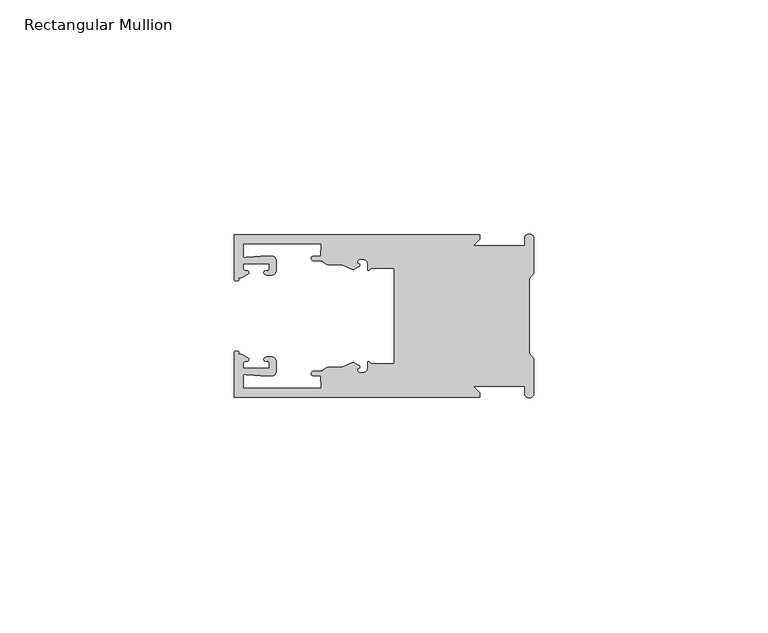
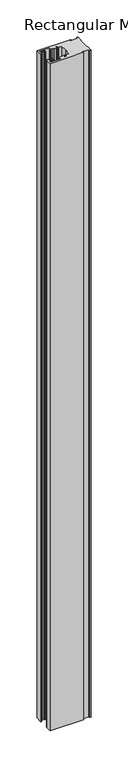
"""IFC4 building model written with IfcOpenShell, lengths in millimetres: member geometry, Rectangular Mullion."""

from ifc_helpers import new_model, si_unit, frame, origin, place, context, project, spatial, polyline, circle_curve, source, transform, mapped, element, save
from ifc_brep_helpers import plane_surface, cylinder_surface, revolved_surface, extruded_surface, spline_curve, advanced_brep


def rectangular_mullion_5d5f20c7(model_context):
    return source(origin(), model_context, "Body", "AdvancedBrep", [
        advanced_brep(
        [(-11.5387897, 17.4000478, 0.0), (-64.0387868, 17.4000478, 0.0), (-64.0387868, 7.8350057, 0.0), (-63.2884687, 7.5412947, 0.0), (-62.4614154, 8.1921895, 0.0), (-62.0410649, 9.9426451, 0.0), (-62.0424168, 11.1926444, 0.0), (-56.54242, 11.1985924, 0.0), (-56.5410682, 9.9485931, 0.0), (-57.1085345, 8.7314723, 0.0), (-56.0397166, 8.6991345, 0.0), (-55.0407987, 9.7002154, 0.0), (-55.0430697, 11.8002142, 0.0), (-56.0446364, 12.7991315, 0.0), (-58.3650753, 12.7954945, 0.0), (-61.1340054, 12.5502269, 0.0), (-62.044093, 12.7426435, 0.0), (-62.0469668, 15.4000478, 0.0), (-45.4240312, 15.4000478, 0.0), (-45.5732135, 12.8000478, 0.0), (-47.0387868, 12.8000478, 0.0), (-47.0387868, 11.8000478, 0.0), (-45.2543363, 11.8000478, 0.0), (-43.6387868, 10.9000478, 0.0), (-41.0454034, 10.9000478, 0.0), (-38.5697136, 9.8718293, 0.0), (-37.5387868, 10.4670351, 0.0), (-37.6803436, 11.4201497, 0.0), (-37.0270763, 12.1583697, 0.0), (-36.2010815, 12.0127245, 0.0), (-35.54, 11.2248783, 0.0), (-35.54, 10.0, 0.0), (-34.7705791, 10.25, 0.0), (-29.79, 10.25, 0.0), (-29.79, 0.0, 0.0), (-29.79, -10.25, 0.0), (-34.7705791, -10.25, 0.0), (-35.54, -10.0, 0.0), (-35.54, -11.2248783, 0.0), (-36.2010815, -12.0127245, 0.0), (-37.0270763, -12.1583697, 0.0), (-37.6803436, -11.4201497, 0.0), (-37.5387868, -10.4670351, 0.0), (-38.5697136, -9.8718293, 0.0), (-41.0454034, -10.9000478, 0.0), (-43.6387868, -10.9000478, 0.0), (-45.2543363, -11.8000478, 0.0), (-47.0387868, -11.8000478, 0.0), (-47.0387868, -12.8000478, 0.0), (-45.5732135, -12.8000478, 0.0), (-45.4240312, -15.4000478, 0.0), (-62.0469668, -15.4000478, 0.0), (-62.044093, -12.7426435, 0.0), (-61.1340054, -12.5502269, 0.0), (-58.3650753, -12.7954945, 0.0), (-56.0446364, -12.7991314, 0.0), (-55.0430697, -11.8002142, 0.0), (-55.0407987, -9.7002154, 0.0), (-56.0397166, -8.6991345, 0.0), (-57.1085345, -8.7314723, 0.0), (-56.5410682, -9.9485931, 0.0), (-56.54242, -11.1985924, 0.0), (-62.0424168, -11.1926444, 0.0), (-62.0410649, -9.9426451, 0.0), (-62.4614154, -8.1921895, 0.0), (-63.2884687, -7.5412947, 0.0), (-64.0387868, -7.8350057, 0.0), (-64.0387868, -17.4000478, 0.0), (-11.5387897, -17.4000478, 0.0), (-11.5387897, -16.4000449, 0.0), (-12.9388346, -15.0, 0.0), (-2.0, -15.0, 0.0), (-2.0, -16.5, 0.0), (0.0, -16.5, 0.0), (0.0, -9.1160254, 0.0), (-1.0, -7.9613249, 0.0), (-1.0, 0.0, 0.0), (-1.0, 7.9613249, 0.0), (0.0, 9.1160254, 0.0), (0.0, 16.5, 0.0), (-2.0, 16.5, 0.0), (-2.0, 15.0, 0.0), (-12.9388346, 15.0, 0.0), (-11.5387897, 16.4000449, 0.0), (-11.5387897, 17.4000478, -1096.68), (-11.5387897, 16.4000449, -1096.68), (-12.9388346, 15.0, -1096.68), (-2.0, 15.0, -1096.68), (-2.0, 16.5, -1096.68), (0.0, 16.5, -1096.68), (0.0, 9.1160254, -1096.68), (-1.0, 7.9613249, -1096.68), (-1.0, 0.0, -1096.68), (-1.0, -7.9613249, -1096.68), (0.0, -9.1160254, -1096.68), (0.0, -16.5, -1096.68), (-2.0, -16.5, -1096.68), (-2.0, -15.0, -1096.68), (-12.9388346, -15.0, -1096.68), (-11.5387897, -16.4000449, -1096.68), (-11.5387897, -17.4000478, -1096.68), (-64.0387868, -17.4000478, -1096.68), (-64.0387868, -7.8350057, -1096.68), (-63.2884687, -7.5412947, -1096.68), (-62.4614154, -8.1921895, -1096.68), (-62.0410649, -9.9426451, -1096.68), (-62.0424168, -11.1926444, -1096.68), (-56.54242, -11.1985924, -1096.68), (-56.5410682, -9.9485931, -1096.68), (-57.1085345, -8.7314723, -1096.68), (-56.0397166, -8.6991345, -1096.68), (-55.0407987, -9.7002154, -1096.68), (-55.0430697, -11.8002142, -1096.68), (-56.0446364, -12.7991315, -1096.68), (-58.3650753, -12.7954945, -1096.68), (-61.1340054, -12.5502269, -1096.68), (-62.044093, -12.7426435, -1096.68), (-62.0469668, -15.4000478, -1096.68), (-45.4240312, -15.4000478, -1096.68), (-45.5732135, -12.8000478, -1096.68), (-47.0387868, -12.8000478, -1096.68), (-47.0387868, -11.8000478, -1096.68), (-45.2543363, -11.8000478, -1096.68), (-43.6387868, -10.9000478, -1096.68), (-41.0454034, -10.9000478, -1096.68), (-38.5697136, -9.8718293, -1096.68), (-37.5387868, -10.4670351, -1096.68), (-37.6803436, -11.4201497, -1096.68), (-37.0270763, -12.1583697, -1096.68), (-36.2010815, -12.0127245, -1096.68), (-35.54, -11.2248783, -1096.68), (-35.54, -10.0, -1096.68), (-34.7705791, -10.25, -1096.68), (-29.79, -10.25, -1096.68), (-29.79, 0.0, -1096.68), (-29.79, 10.25, -1096.68), (-34.7705791, 10.25, -1096.68), (-35.54, 10.0, -1096.68), (-35.54, 11.2248783, -1096.68), (-36.2010815, 12.0127245, -1096.68), (-37.0270763, 12.1583697, -1096.68), (-37.6803436, 11.4201497, -1096.68), (-37.5387868, 10.4670351, -1096.68), (-38.5697136, 9.8718293, -1096.68), (-41.0454034, 10.9000478, -1096.68), (-43.6387868, 10.9000478, -1096.68), (-45.2543363, 11.8000478, -1096.68), (-47.0387868, 11.8000478, -1096.68), (-47.0387868, 12.8000478, -1096.68), (-45.5732135, 12.8000478, -1096.68), (-45.4240312, 15.4000478, -1096.68), (-62.0469668, 15.4000478, -1096.68), (-62.044093, 12.7426435, -1096.68), (-61.1340054, 12.5502269, -1096.68), (-58.3650753, 12.7954945, -1096.68), (-56.0446364, 12.7991314, -1096.68), (-55.0430697, 11.8002142, -1096.68), (-55.0407987, 9.7002154, -1096.68), (-56.0397166, 8.6991345, -1096.68), (-57.1085345, 8.7314723, -1096.68), (-56.5410682, 9.9485931, -1096.68), (-56.54242, 11.1985924, -1096.68), (-62.0424168, 11.1926444, -1096.68), (-62.0410649, 9.9426451, -1096.68), (-62.4614154, 8.1921895, -1096.68), (-63.2884687, 7.5412947, -1096.68), (-64.0387868, 7.8350057, -1096.68), (-64.0387868, 17.4000478, -1096.68)],
        [
            (0, 1),
            (1, 2),
            (2, 3, spline_curve(3, [(-64.0387868, 7.8350057, 0.0), (-64.038491377, 7.561831774, 0.0), (-63.788385325, 7.463928087, 0.0), (-63.2884687, 7.5412947, 0.0)], [4, 4], [0.0, 0.0019169337574178654])),
            (3, 4, spline_curve(3, [(-63.2884687, 7.5412947, 0.0), (-63.057760917, 7.582232011, 0.0), (-63.018445067, 7.725390894, 0.0), (-63.019925494, 8.056436881, 0.0), (-63.103444208, 8.236386866, 0.0), (-62.4614154, 8.1921895, 0.0)], [4, 2, 4], [0.0, 0.0010199524164107188, 0.0024874514725970356])),
            (4, 5, spline_curve(3, [(-62.4614154, 8.1921895, 0.0), (-60.988497673, 8.880962536, 0.0), (-60.794045122, 9.192776957, 0.0), (-60.949808078, 9.57023562, 0.0), (-61.145214014, 9.682771697, 0.0), (-61.665835706, 9.714019003, 0.0), (-61.965242574, 9.660891484, 0.0), (-62.0410649, 9.9426451, 0.0)], [4, 2, 2, 4], [0.0, 0.003269869179570428, 0.005490050486237203, 0.0073545767114364426])),
            (5, 6),
            (6, 7),
            (7, 8),
            (8, 9, spline_curve(3, [(-56.5410682, 9.9485931, 0.0), (-56.634838635, 9.597117104, 0.0), (-56.904956774, 9.698238818, 0.0), (-57.324171444, 9.731086209, 0.0), (-57.45969165, 9.646199885, 0.0), (-57.729003352, 9.346016011, 0.0), (-57.859492582, 9.113082158, 0.0), (-57.1085345, 8.7314723, 0.0)], [4, 2, 2, 4], [0.0, 0.001593963049934732, 0.0033360256320283306, 0.005339140673503943])),
            (9, 10),
            (10, 11, circle_curve(frame((-56.0407981, 9.699134, 0.0), z_axis=(0.0, 0.0, 1.0), x_axis=(0.0010814451158627505, -0.9999994152380598, 0.0)), 1.0)),
            (11, 12),
            (12, 13, circle_curve(frame((-56.0430691, 11.7991327, 0.0), z_axis=(0.0, 0.0, 1.0), x_axis=(0.0010814451158627505, -0.9999994152380598, 0.0)), 1.0)),
            (13, 14),
            (14, 15),
            (15, 16, spline_curve(3, [(-61.1340054, 12.5502269, 0.0), (-61.605485428, 12.508463911, 0.0), (-61.992111419, 12.303164326, 0.0), (-62.044093, 12.7426435, 0.0)], [4, 4], [0.0, 0.0014803385355886016])),
            (16, 17),
            (17, 18),
            (18, 19),
            (19, 20),
            (20, 21, circle_curve(frame((-47.0387868, 12.3000478, 0.0), z_axis=(0.0, 0.0, 1.0), x_axis=(0.0, -1.0, 0.0)), 0.5)),
            (21, 22),
            (22, 23, circle_curve(frame((-43.6387868, 12.8000478, 0.0), z_axis=(0.0, 0.0, 1.0), x_axis=(0.0, -1.0, 0.0)), 1.9)),
            (23, 24),
            (24, 25),
            (25, 26),
            (26, 27, spline_curve(3, [(-37.5387868, 10.4670351, 0.0), (-36.973919853, 10.833863985, 0.0), (-37.198159645, 11.135696286, 0.0), (-37.587892011, 11.260246073, 0.0), (-37.754584192, 11.180452419, 0.0), (-37.6803436, 11.4201497, 0.0)], [4, 2, 4], [0.0, 0.0019283703160353726, 0.003394584635652914])),
            (27, 28, circle_curve(frame((-37.0434863, 11.5147359, 0.0), z_axis=(0.0, 0.0, -1.0), x_axis=(0.0, -1.0, 0.0)), 0.643843)),
            (28, 29),
            (29, 30, circle_curve(frame((-36.34, 11.2248783, 0.0), z_axis=(0.0, 0.0, -1.0), x_axis=(0.0, -1.0, 0.0)), 0.8)),
            (30, 31),
            (31, 32, spline_curve(3, [(-35.54, 10.0, 0.0), (-35.440000238, 9.598293201, 0.0), (-35.183526594, 9.681626535, 0.0), (-34.7705791, 10.25, 0.0)], [4, 4], [0.0, 0.0027473296990141553])),
            (32, 33),
            (33, 34),
            (34, 35),
            (35, 36),
            (36, 37, spline_curve(3, [(-34.7705791, -10.25, 0.0), (-35.183526594, -9.681626535, 0.0), (-35.440000238, -9.598293201, 0.0), (-35.54, -10.0, 0.0)], [4, 4], [0.0, 0.0027473296990141553])),
            (37, 38),
            (38, 39, circle_curve(frame((-36.34, -11.2248783, 0.0), z_axis=(0.0, 0.0, -1.0), x_axis=(0.0, 1.0, 0.0)), 0.8)),
            (39, 40),
            (40, 41, circle_curve(frame((-37.0434863, -11.5147359, 0.0), z_axis=(0.0, 0.0, -1.0), x_axis=(0.0, 1.0, 0.0)), 0.643843)),
            (41, 42, spline_curve(3, [(-37.6803436, -11.4201497, 0.0), (-37.754584192, -11.180452419, 0.0), (-37.587892011, -11.260246073, 0.0), (-37.198159645, -11.135696286, 0.0), (-36.973919853, -10.833863985, 0.0), (-37.5387868, -10.4670351, 0.0)], [4, 2, 4], [0.0, 0.0014662143196175414, 0.003394584635652914])),
            (42, 43),
            (43, 44),
            (44, 45),
            (45, 46, circle_curve(frame((-43.6387868, -12.8000478, 0.0), z_axis=(0.0, 0.0, 1.0), x_axis=(0.0, 1.0, 0.0)), 1.9)),
            (46, 47),
            (47, 48, circle_curve(frame((-47.0387868, -12.3000478, 0.0), z_axis=(0.0, 0.0, 1.0), x_axis=(0.0, 1.0, 0.0)), 0.5)),
            (48, 49),
            (49, 50),
            (50, 51),
            (51, 52),
            (52, 53, spline_curve(3, [(-62.044093, -12.7426435, 0.0), (-61.992111419, -12.303164326, 0.0), (-61.605485428, -12.508463911, 0.0), (-61.1340054, -12.5502269, 0.0)], [4, 4], [0.0, 0.0014803385355886016])),
            (53, 54),
            (54, 55),
            (55, 56, circle_curve(frame((-56.0430691, -11.7991327, 0.0), z_axis=(0.0, 0.0, 1.0), x_axis=(0.001081445115855867, 0.9999994152380598, 0.0)), 1.0)),
            (56, 57),
            (57, 58, circle_curve(frame((-56.0407981, -9.699134, 0.0), z_axis=(0.0, 0.0, 1.0), x_axis=(0.001081445115855867, 0.9999994152380598, 0.0)), 1.0)),
            (58, 59),
            (59, 60, spline_curve(3, [(-57.1085345, -8.7314723, 0.0), (-57.859492582, -9.113082158, 0.0), (-57.729003352, -9.346016011, 0.0), (-57.45969165, -9.646199885, 0.0), (-57.324171444, -9.731086209, 0.0), (-56.904956774, -9.698238818, 0.0), (-56.634838635, -9.597117104, 0.0), (-56.5410682, -9.9485931, 0.0)], [4, 2, 2, 4], [0.0, 0.002003115041475612, 0.0037451776235692107, 0.005339140673503943])),
            (60, 61),
            (61, 62),
            (62, 63),
            (63, 64, spline_curve(3, [(-62.0410649, -9.9426451, 0.0), (-61.965242574, -9.660891484, 0.0), (-61.665835706, -9.714019003, 0.0), (-61.145214014, -9.682771697, 0.0), (-60.949808078, -9.57023562, 0.0), (-60.794045122, -9.192776957, 0.0), (-60.988497673, -8.880962536, 0.0), (-62.4614154, -8.1921895, 0.0)], [4, 2, 2, 4], [0.0, 0.0018645262251992395, 0.004084707531866015, 0.0073545767114364426])),
            (64, 65, spline_curve(3, [(-62.4614154, -8.1921895, 0.0), (-63.103444208, -8.236386866, 0.0), (-63.019925494, -8.056436881, 0.0), (-63.018445067, -7.725390894, 0.0), (-63.057760917, -7.582232011, 0.0), (-63.2884687, -7.5412947, 0.0)], [4, 2, 4], [0.0, 0.0014674990561863168, 0.0024874514725970356])),
            (65, 66, spline_curve(3, [(-63.2884687, -7.5412947, 0.0), (-63.788385325, -7.463928087, 0.0), (-64.038491377, -7.561831774, 0.0), (-64.0387868, -7.8350057, 0.0)], [4, 4], [0.0, 0.0019169337574178654])),
            (66, 67),
            (67, 68),
            (68, 69),
            (69, 70),
            (70, 71),
            (71, 72),
            (72, 73, circle_curve(frame((-1.0, -16.5, 0.0), z_axis=(0.0, 0.0, 1.0), x_axis=(0.0, 1.0, 0.0)), 1.0)),
            (73, 74),
            (74, 75),
            (75, 76),
            (76, 77),
            (77, 78),
            (78, 79),
            (79, 80, circle_curve(frame((-1.0, 16.5, 0.0), z_axis=(0.0, 0.0, 1.0), x_axis=(0.0, -1.0, 0.0)), 1.0)),
            (80, 81),
            (81, 82),
            (82, 83),
            (83, 0),
            (84, 85),
            (85, 86),
            (86, 87),
            (87, 88),
            (88, 89, circle_curve(frame((-1.0, 16.5, -1096.68), z_axis=(0.0, 0.0, -1.0), x_axis=(0.0, -1.0, 0.0)), 1.0)),
            (89, 90),
            (90, 91),
            (91, 92),
            (92, 93),
            (93, 94),
            (94, 95),
            (95, 96, circle_curve(frame((-1.0, -16.5, -1096.68), z_axis=(0.0, 0.0, -1.0), x_axis=(0.0, 1.0, 0.0)), 1.0)),
            (96, 97),
            (97, 98),
            (98, 99),
            (99, 100),
            (100, 101),
            (101, 102),
            (102, 103, spline_curve(3, [(-64.0387868, -7.8350057, -1096.68), (-64.038491377, -7.561831774, -1096.68), (-63.788385325, -7.463928087, -1096.68), (-63.2884687, -7.5412947, -1096.68)], [4, 4], [0.0, 0.0019169337574178654])),
            (103, 104, spline_curve(3, [(-63.2884687, -7.5412947, -1096.68), (-63.057760917, -7.582232011, -1096.68), (-63.018445067, -7.725390894, -1096.68), (-63.019925494, -8.056436881, -1096.68), (-63.103444208, -8.236386866, -1096.68), (-62.4614154, -8.1921895, -1096.68)], [4, 2, 4], [0.0, 0.0010199524164107188, 0.0024874514725970356])),
            (104, 105, spline_curve(3, [(-62.4614154, -8.1921895, -1096.68), (-60.988497673, -8.880962536, -1096.68), (-60.794045122, -9.192776957, -1096.68), (-60.949808078, -9.57023562, -1096.68), (-61.145214014, -9.682771697, -1096.68), (-61.665835706, -9.714019003, -1096.68), (-61.965242574, -9.660891484, -1096.68), (-62.0410649, -9.9426451, -1096.68)], [4, 2, 2, 4], [0.0, 0.003269869179570428, 0.005490050486237203, 0.0073545767114364426])),
            (105, 106),
            (106, 107),
            (107, 108),
            (108, 109, spline_curve(3, [(-56.5410682, -9.9485931, -1096.68), (-56.634838635, -9.597117104, -1096.68), (-56.904956774, -9.698238818, -1096.68), (-57.324171444, -9.731086209, -1096.68), (-57.45969165, -9.646199885, -1096.68), (-57.729003352, -9.346016011, -1096.68), (-57.859492582, -9.113082158, -1096.68), (-57.1085345, -8.7314723, -1096.68)], [4, 2, 2, 4], [0.0, 0.001593963049934732, 0.0033360256320283306, 0.005339140673503943])),
            (109, 110),
            (110, 111, circle_curve(frame((-56.0407981, -9.699134, -1096.68), z_axis=(0.0, 0.0, -1.0), x_axis=(0.001081445115855867, 0.9999994152380598, 0.0)), 1.0)),
            (111, 112),
            (112, 113, circle_curve(frame((-56.0430691, -11.7991327, -1096.68), z_axis=(0.0, 0.0, -1.0), x_axis=(0.001081445115855867, 0.9999994152380598, 0.0)), 1.0)),
            (113, 114),
            (114, 115),
            (115, 116, spline_curve(3, [(-61.1340054, -12.5502269, -1096.68), (-61.605485428, -12.508463911, -1096.68), (-61.992111419, -12.303164326, -1096.68), (-62.044093, -12.7426435, -1096.68)], [4, 4], [0.0, 0.0014803385355886016])),
            (116, 117),
            (117, 118),
            (118, 119),
            (119, 120),
            (120, 121, circle_curve(frame((-47.0387868, -12.3000478, -1096.68), z_axis=(0.0, 0.0, -1.0), x_axis=(0.0, 1.0, 0.0)), 0.5)),
            (121, 122),
            (122, 123, circle_curve(frame((-43.6387868, -12.8000478, -1096.68), z_axis=(0.0, 0.0, -1.0), x_axis=(0.0, 1.0, 0.0)), 1.9)),
            (123, 124),
            (124, 125),
            (125, 126),
            (126, 127, spline_curve(3, [(-37.5387868, -10.4670351, -1096.68), (-36.973919853, -10.833863985, -1096.68), (-37.198159645, -11.135696286, -1096.68), (-37.587892011, -11.260246073, -1096.68), (-37.754584192, -11.180452419, -1096.68), (-37.6803436, -11.4201497, -1096.68)], [4, 2, 4], [0.0, 0.0019283703160353726, 0.003394584635652914])),
            (127, 128, circle_curve(frame((-37.0434863, -11.5147359, -1096.68), z_axis=(0.0, 0.0, 1.0), x_axis=(0.0, 1.0, 0.0)), 0.643843)),
            (128, 129),
            (129, 130, circle_curve(frame((-36.34, -11.2248783, -1096.68), z_axis=(0.0, 0.0, 1.0), x_axis=(0.0, 1.0, 0.0)), 0.8)),
            (130, 131),
            (131, 132, spline_curve(3, [(-35.54, -10.0, -1096.68), (-35.440000238, -9.598293201, -1096.68), (-35.183526594, -9.681626535, -1096.68), (-34.7705791, -10.25, -1096.68)], [4, 4], [0.0, 0.0027473296990141553])),
            (132, 133),
            (133, 134),
            (134, 135),
            (135, 136),
            (136, 137, spline_curve(3, [(-34.7705791, 10.25, -1096.68), (-35.183526594, 9.681626535, -1096.68), (-35.440000238, 9.598293201, -1096.68), (-35.54, 10.0, -1096.68)], [4, 4], [0.0, 0.0027473296990141553])),
            (137, 138),
            (138, 139, circle_curve(frame((-36.34, 11.2248783, -1096.68), z_axis=(0.0, 0.0, 1.0), x_axis=(0.0, -1.0, 0.0)), 0.8)),
            (139, 140),
            (140, 141, circle_curve(frame((-37.0434863, 11.5147359, -1096.68), z_axis=(0.0, 0.0, 1.0), x_axis=(0.0, -1.0, 0.0)), 0.643843)),
            (141, 142, spline_curve(3, [(-37.6803436, 11.4201497, -1096.68), (-37.754584192, 11.180452419, -1096.68), (-37.587892011, 11.260246073, -1096.68), (-37.198159645, 11.135696286, -1096.68), (-36.973919853, 10.833863985, -1096.68), (-37.5387868, 10.4670351, -1096.68)], [4, 2, 4], [0.0, 0.0014662143196175414, 0.003394584635652914])),
            (142, 143),
            (143, 144),
            (144, 145),
            (145, 146, circle_curve(frame((-43.6387868, 12.8000478, -1096.68), z_axis=(0.0, 0.0, -1.0), x_axis=(0.0, -1.0, 0.0)), 1.9)),
            (146, 147),
            (147, 148, circle_curve(frame((-47.0387868, 12.3000478, -1096.68), z_axis=(0.0, 0.0, -1.0), x_axis=(0.0, -1.0, 0.0)), 0.5)),
            (148, 149),
            (149, 150),
            (150, 151),
            (151, 152),
            (152, 153, spline_curve(3, [(-62.044093, 12.7426435, -1096.68), (-61.992111419, 12.303164326, -1096.68), (-61.605485428, 12.508463911, -1096.68), (-61.1340054, 12.5502269, -1096.68)], [4, 4], [0.0, 0.0014803385355886016])),
            (153, 154),
            (154, 155),
            (155, 156, circle_curve(frame((-56.0430691, 11.7991327, -1096.68), z_axis=(0.0, 0.0, -1.0), x_axis=(0.0010814451158627505, -0.9999994152380598, 0.0)), 1.0)),
            (156, 157),
            (157, 158, circle_curve(frame((-56.0407981, 9.699134, -1096.68), z_axis=(0.0, 0.0, -1.0), x_axis=(0.0010814451158627505, -0.9999994152380598, 0.0)), 1.0)),
            (158, 159),
            (159, 160, spline_curve(3, [(-57.1085345, 8.7314723, -1096.68), (-57.859492582, 9.113082158, -1096.68), (-57.729003352, 9.346016011, -1096.68), (-57.45969165, 9.646199885, -1096.68), (-57.324171444, 9.731086209, -1096.68), (-56.904956774, 9.698238818, -1096.68), (-56.634838635, 9.597117104, -1096.68), (-56.5410682, 9.9485931, -1096.68)], [4, 2, 2, 4], [0.0, 0.002003115041475612, 0.0037451776235692107, 0.005339140673503943])),
            (160, 161),
            (161, 162),
            (162, 163),
            (163, 164, spline_curve(3, [(-62.0410649, 9.9426451, -1096.68), (-61.965242574, 9.660891484, -1096.68), (-61.665835706, 9.714019003, -1096.68), (-61.145214014, 9.682771697, -1096.68), (-60.949808078, 9.57023562, -1096.68), (-60.794045122, 9.192776957, -1096.68), (-60.988497673, 8.880962536, -1096.68), (-62.4614154, 8.1921895, -1096.68)], [4, 2, 2, 4], [0.0, 0.0018645262251992395, 0.004084707531866015, 0.0073545767114364426])),
            (164, 165, spline_curve(3, [(-62.4614154, 8.1921895, -1096.68), (-63.103444208, 8.236386866, -1096.68), (-63.019925494, 8.056436881, -1096.68), (-63.018445067, 7.725390894, -1096.68), (-63.057760917, 7.582232011, -1096.68), (-63.2884687, 7.5412947, -1096.68)], [4, 2, 4], [0.0, 0.0014674990561863168, 0.0024874514725970356])),
            (165, 166, spline_curve(3, [(-63.2884687, 7.5412947, -1096.68), (-63.788385325, 7.463928087, -1096.68), (-64.038491377, 7.561831774, -1096.68), (-64.0387868, 7.8350057, -1096.68)], [4, 4], [0.0, 0.0019169337574178654])),
            (166, 167),
            (167, 84),
            (0, 84),
            (167, 1),
            (166, 2),
            (165, 3),
            (164, 4),
            (163, 5),
            (162, 6),
            (161, 7),
            (160, 8),
            (159, 9),
            (158, 10),
            (157, 11),
            (156, 12),
            (155, 13),
            (154, 14),
            (153, 15),
            (152, 16),
            (151, 17),
            (150, 18),
            (149, 19),
            (148, 20),
            (147, 21),
            (146, 22),
            (145, 23),
            (144, 24),
            (143, 25),
            (142, 26),
            (141, 27),
            (140, 28),
            (139, 29),
            (138, 30),
            (137, 31),
            (136, 32),
            (135, 33),
            (134, 34),
            (133, 35),
            (132, 36),
            (131, 37),
            (130, 38),
            (129, 39),
            (128, 40),
            (127, 41),
            (126, 42),
            (125, 43),
            (124, 44),
            (123, 45),
            (122, 46),
            (121, 47),
            (120, 48),
            (119, 49),
            (118, 50),
            (117, 51),
            (116, 52),
            (115, 53),
            (114, 54),
            (113, 55),
            (112, 56),
            (111, 57),
            (110, 58),
            (109, 59),
            (108, 60),
            (107, 61),
            (106, 62),
            (105, 63),
            (104, 64),
            (103, 65),
            (102, 66),
            (101, 67),
            (100, 68),
            (99, 69),
            (98, 70),
            (97, 71),
            (96, 72),
            (95, 73),
            (94, 74),
            (93, 75),
            (92, 76),
            (91, 77),
            (90, 78),
            (89, 79),
            (88, 80),
            (87, 81),
            (86, 82),
            (85, 83),
        ],
        [
            plane_surface(frame((0.0, -66.3605898, 0.0), z_axis=(0.0, 0.0, 1.0), x_axis=(-1.0, 0.0, 0.0))),
            plane_surface(frame((0.0, -66.3605898, -1096.68), z_axis=(0.0, 0.0, -1.0), x_axis=(-1.0, 0.0, 0.0))),
            plane_surface(frame((-11.5387897, 17.4000478, 0.0), z_axis=(0.0, 1.0, 0.0), x_axis=(0.0, 0.0, -1.0))),
            plane_surface(frame((-64.0387868, 17.4000478, 0.0), z_axis=(-1.0, 0.0, 0.0), x_axis=(0.0, 0.0, -1.0))),
            extruded_surface(spline_curve(3, [(-64.0387868, 7.8350057, -1096.68), (-64.038491377, 7.561831774, -1096.68), (-63.788385325, 7.463928087, -1096.68), (-63.2884687, 7.5412947, -1096.68)], [4, 4], [0.0, 0.0019169337574178654]), (0.0, 0.0, 1096.68), 1096.68),
            extruded_surface(spline_curve(3, [(-63.2884687, 7.5412947, -1096.68), (-63.057760917, 7.582232011, -1096.68), (-63.018445067, 7.725390894, -1096.68), (-63.019925494, 8.056436881, -1096.68), (-63.103444208, 8.236386866, -1096.68), (-62.4614154, 8.1921895, -1096.68)], [4, 2, 4], [0.0, 0.0010199524164107188, 0.0024874514725970356]), (0.0, 0.0, 1096.68), 1096.68),
            extruded_surface(spline_curve(3, [(-62.4614154, 8.1921895, -1096.68), (-60.988497673, 8.880962536, -1096.68), (-60.794045122, 9.192776957, -1096.68), (-60.949808078, 9.57023562, -1096.68), (-61.145214014, 9.682771697, -1096.68), (-61.665835706, 9.714019003, -1096.68), (-61.965242574, 9.660891484, -1096.68), (-62.0410649, 9.9426451, -1096.68)], [4, 2, 2, 4], [0.0, 0.003269869179570428, 0.005490050486237203, 0.0073545767114364426]), (0.0, 0.0, 1096.68), 1096.68),
            plane_surface(frame((-62.0410649, 9.9426451, 0.0), z_axis=(0.9999994152380598, 0.0010814451158593665, 0.0), x_axis=(0.0, 0.0, -1.0))),
            plane_surface(frame((-62.0424168, 11.1926444, 0.0), z_axis=(0.0010814451158611391, -0.9999994152380598, 0.0), x_axis=(0.0, 0.0, -1.0))),
            plane_surface(frame((-56.54242, 11.1985924, 0.0), z_axis=(-0.9999994152380598, -0.0010814451158584516, 0.0), x_axis=(0.0, 0.0, -1.0))),
            extruded_surface(spline_curve(3, [(-56.5410682, 9.9485931, -1096.68), (-56.634838635, 9.597117104, -1096.68), (-56.904956774, 9.698238818, -1096.68), (-57.324171444, 9.731086209, -1096.68), (-57.45969165, 9.646199885, -1096.68), (-57.729003352, 9.346016011, -1096.68), (-57.859492582, 9.113082158, -1096.68), (-57.1085345, 8.7314723, -1096.68)], [4, 2, 2, 4], [0.0, 0.001593963049934732, 0.0033360256320283306, 0.005339140673503943]), (0.0, 0.0, 1096.68), 1096.68),
            plane_surface(frame((-57.1085345, 8.7314723, 0.0), z_axis=(-0.030241832452869922, -0.9995426111826813, 0.0), x_axis=(0.0, 0.0, -1.0))),
            cylinder_surface(frame((-56.0407981, 9.699134, 0.0), z_axis=(0.0, 0.0, 1.0000000000000002), x_axis=(0.0010814451158627505, -0.9999994152380598, 0.0)), 1.0),
            plane_surface(frame((-55.0407987, 9.7002154, 0.0), z_axis=(0.9999994152380598, 0.001081445115858722, 0.0), x_axis=(0.0, 0.0, -1.0))),
            cylinder_surface(frame((-56.0430691, 11.7991327, 0.0), z_axis=(0.0, 0.0, 1.0000000000000002), x_axis=(0.0010814451158627505, -0.9999994152380598, 0.0)), 1.0),
            plane_surface(frame((-56.0446364, 12.7991314, 0.0), z_axis=(-0.0015673183327907744, 0.9999987717558677, 0.0), x_axis=(0.0, 0.0, -1.0))),
            plane_surface(frame((-58.3650753, 12.7954945, 0.0), z_axis=(-0.08823302167299531, 0.9960998614026874, 0.0), x_axis=(0.0, 0.0, -1.0))),
            extruded_surface(spline_curve(3, [(-61.1340054, 12.5502269, -1096.68), (-61.605485428, 12.508463911, -1096.68), (-61.992111419, 12.303164326, -1096.68), (-62.044093, 12.7426435, -1096.68)], [4, 4], [0.0, 0.0014803385355886016]), (0.0, 0.0, 1096.68), 1096.68),
            plane_surface(frame((-62.044093, 12.7426435, 0.0), z_axis=(0.9999994152380598, 0.0010814451158597813, 0.0), x_axis=(0.0, 0.0, -1.0))),
            plane_surface(frame((-62.0469668, 15.4000478, 0.0), z_axis=(0.0, -1.0, 0.0), x_axis=(0.0, 0.0, -1.0))),
            plane_surface(frame((-45.4240312, 15.4000478, 0.0), z_axis=(-0.9983579461523547, 0.05728360458675776, 0.0), x_axis=(0.0, 0.0, -1.0))),
            plane_surface(frame((-45.5732135, 12.8000478, 0.0), z_axis=(0.0, 1.0, 0.0), x_axis=(0.0, 0.0, -1.0))),
            cylinder_surface(frame((-47.0387868, 12.3000478, 0.0), z_axis=(0.0, 0.0, 1.0), x_axis=(0.0, -1.0, 0.0)), 0.5),
            plane_surface(frame((-47.0387868, 11.8000478, 0.0), z_axis=(0.0, -1.0, 0.0), x_axis=(0.0, 0.0, -1.0))),
            cylinder_surface(frame((-43.6387868, 12.8000478, 0.0), z_axis=(0.0, 0.0, 1.0), x_axis=(0.0, -1.0, 0.0)), 1.9),
            plane_surface(frame((-43.6387868, 10.9000478, 0.0), z_axis=(0.0, -1.0, 0.0), x_axis=(0.0, 0.0, -1.0))),
            plane_surface(frame((-41.0454034, 10.9000478, 0.0), z_axis=(-0.3835602140750569, -0.9235158700199453, 0.0), x_axis=(0.0, 0.0, -1.0))),
            plane_surface(frame((-38.5697136, 9.8718293, 0.0), z_axis=(0.5000000000252295, -0.8660254037698725, 0.0), x_axis=(0.0, 0.0, -1.0))),
            extruded_surface(spline_curve(3, [(-37.5387868, 10.4670351, -1096.68), (-36.973919853, 10.833863985, -1096.68), (-37.198159645, 11.135696286, -1096.68), (-37.587892011, 11.260246073, -1096.68), (-37.754584192, 11.180452419, -1096.68), (-37.6803436, 11.4201497, -1096.68)], [4, 2, 4], [0.0, 0.0019283703160353726, 0.003394584635652914]), (0.0, 0.0, 1096.68), 1096.68),
            revolved_surface(polyline([(-37.0434863, 10.8708929, -1096.68), (-37.0434863, 10.8708929, 0.0)]), (-37.0434863, 11.5147359, 0.0), (0.0, 0.0, -1.0)),
            plane_surface(frame((-37.0270763, 12.1583697, 0.0), z_axis=(-0.17364817767050408, -0.984807753011578, 0.0), x_axis=(0.0, 0.0, -1.0))),
            revolved_surface(polyline([(-36.34, 10.4248783, -1096.68), (-36.34, 10.4248783, 0.0)]), (-36.34, 11.2248783, 0.0), (0.0, 0.0, -1.0)),
            plane_surface(frame((-35.54, 11.2248783, 0.0), z_axis=(-1.0, 0.0, 0.0), x_axis=(0.0, 0.0, -1.0))),
            extruded_surface(spline_curve(3, [(-35.54, 10.0, -1096.68), (-35.440000238, 9.598293201, -1096.68), (-35.183526594, 9.681626535, -1096.68), (-34.7705791, 10.25, -1096.68)], [4, 4], [0.0, 0.0027473296990141553]), (0.0, 0.0, 1096.68), 1096.68),
            plane_surface(frame((-34.7705791, 10.25, 0.0), z_axis=(0.0, -1.0, 0.0), x_axis=(0.0, 0.0, -1.0))),
            plane_surface(frame((-29.79, 10.25, 0.0), z_axis=(-1.0, 0.0, 0.0), x_axis=(0.0, 0.0, -1.0))),
            plane_surface(frame((-29.79, 0.0, 0.0), z_axis=(-1.0, 0.0, 0.0), x_axis=(0.0, 0.0, -1.0))),
            plane_surface(frame((-29.79, -10.25, 0.0), z_axis=(0.0, 1.0, 0.0), x_axis=(0.0, 0.0, -1.0))),
            extruded_surface(spline_curve(3, [(-34.7705791, -10.25, -1096.68), (-35.183526594, -9.681626535, -1096.68), (-35.440000238, -9.598293201, -1096.68), (-35.54, -10.0, -1096.68)], [4, 4], [0.0, 0.0027473296990141553]), (0.0, 0.0, 1096.68), 1096.68),
            plane_surface(frame((-35.54, -10.0, 0.0), z_axis=(-1.0, 0.0, 0.0), x_axis=(0.0, 0.0, -1.0))),
            revolved_surface(polyline([(-36.34, -10.4248783, -1096.68), (-36.34, -10.4248783, 0.0)]), (-36.34, -11.2248783, 0.0), (0.0, 0.0, -1.0)),
            plane_surface(frame((-36.2010815, -12.0127245, 0.0), z_axis=(-0.17364817767051083, 0.9848077530115767, 0.0), x_axis=(0.0, 0.0, -1.0))),
            revolved_surface(polyline([(-37.0434863, -10.8708929, -1096.68), (-37.0434863, -10.8708929, 0.0)]), (-37.0434863, -11.5147359, 0.0), (0.0, 0.0, -1.0)),
            extruded_surface(spline_curve(3, [(-37.6803436, -11.4201497, -1096.68), (-37.754584192, -11.180452419, -1096.68), (-37.587892011, -11.260246073, -1096.68), (-37.198159645, -11.135696286, -1096.68), (-36.973919853, -10.833863985, -1096.68), (-37.5387868, -10.4670351, -1096.68)], [4, 2, 4], [0.0, 0.0014662143196175414, 0.003394584635652914]), (0.0, 0.0, 1096.68), 1096.68),
            plane_surface(frame((-37.5387868, -10.4670351, 0.0), z_axis=(0.5000000000252234, 0.8660254037698759, 0.0), x_axis=(0.0, 0.0, -1.0))),
            plane_surface(frame((-38.5697136, -9.8718293, 0.0), z_axis=(-0.38356021407506324, 0.9235158700199426, 0.0), x_axis=(0.0, 0.0, -1.0))),
            plane_surface(frame((-41.0454034, -10.9000478, 0.0), z_axis=(0.0, 1.0, 0.0), x_axis=(0.0, 0.0, -1.0))),
            cylinder_surface(frame((-43.6387868, -12.8000478, 0.0), z_axis=(0.0, 0.0, 1.0), x_axis=(0.0, 1.0, 0.0)), 1.9),
            plane_surface(frame((-45.2543363, -11.8000478, 0.0), z_axis=(0.0, 1.0, 0.0), x_axis=(0.0, 0.0, -1.0))),
            cylinder_surface(frame((-47.0387868, -12.3000478, 0.0), z_axis=(0.0, 0.0, 1.0), x_axis=(0.0, 1.0, 0.0)), 0.5),
            plane_surface(frame((-47.0387868, -12.8000478, 0.0), z_axis=(0.0, -1.0, 0.0), x_axis=(0.0, 0.0, -1.0))),
            plane_surface(frame((-45.5732135, -12.8000478, 0.0), z_axis=(-0.9983579461523543, -0.05728360458676463, 0.0), x_axis=(0.0, 0.0, -1.0))),
            plane_surface(frame((-45.4240312, -15.4000478, 0.0), z_axis=(0.0, 1.0, 0.0), x_axis=(0.0, 0.0, -1.0))),
            plane_surface(frame((-62.0469668, -15.4000478, 0.0), z_axis=(0.9999994152380598, -0.001081445115852898, 0.0), x_axis=(0.0, 0.0, -1.0))),
            extruded_surface(spline_curve(3, [(-62.044093, -12.7426435, -1096.68), (-61.992111419, -12.303164326, -1096.68), (-61.605485428, -12.508463911, -1096.68), (-61.1340054, -12.5502269, -1096.68)], [4, 4], [0.0, 0.0014803385355886016]), (0.0, 0.0, 1096.68), 1096.68),
            plane_surface(frame((-61.1340054, -12.5502269, 0.0), z_axis=(-0.08823302167298844, -0.9960998614026879, 0.0), x_axis=(0.0, 0.0, -1.0))),
            plane_surface(frame((-58.3650753, -12.7954945, 0.0), z_axis=(-0.001567318332783891, -0.9999987717558677, 0.0), x_axis=(0.0, 0.0, -1.0))),
            cylinder_surface(frame((-56.0430691, -11.7991327, 0.0), z_axis=(0.0, 0.0, 1.0000000000000002), x_axis=(0.001081445115855867, 0.9999994152380598, 0.0)), 1.0),
            plane_surface(frame((-55.0430697, -11.8002142, 0.0), z_axis=(0.9999994152380598, -0.0010814451158518386, 0.0), x_axis=(0.0, 0.0, -1.0))),
            cylinder_surface(frame((-56.0407981, -9.699134, 0.0), z_axis=(0.0, 0.0, 1.0000000000000002), x_axis=(0.001081445115855867, 0.9999994152380598, 0.0)), 1.0),
            plane_surface(frame((-56.0397166, -8.6991345, 0.0), z_axis=(-0.030241832452876805, 0.9995426111826811, 0.0), x_axis=(0.0, 0.0, -1.0))),
            extruded_surface(spline_curve(3, [(-57.1085345, -8.7314723, -1096.68), (-57.859492582, -9.113082158, -1096.68), (-57.729003352, -9.346016011, -1096.68), (-57.45969165, -9.646199885, -1096.68), (-57.324171444, -9.731086209, -1096.68), (-56.904956774, -9.698238818, -1096.68), (-56.634838635, -9.597117104, -1096.68), (-56.5410682, -9.9485931, -1096.68)], [4, 2, 2, 4], [0.0, 0.002003115041475612, 0.0037451776235692107, 0.005339140673503943]), (0.0, 0.0, 1096.68), 1096.68),
            plane_surface(frame((-56.5410682, -9.9485931, 0.0), z_axis=(-0.9999994152380598, 0.0010814451158515682, 0.0), x_axis=(0.0, 0.0, -1.0))),
            plane_surface(frame((-56.54242, -11.1985924, 0.0), z_axis=(0.0010814451158542558, 0.9999994152380598, 0.0), x_axis=(0.0, 0.0, -1.0))),
            plane_surface(frame((-62.0424168, -11.1926444, 0.0), z_axis=(0.9999994152380598, -0.001081445115852483, 0.0), x_axis=(0.0, 0.0, -1.0))),
            extruded_surface(spline_curve(3, [(-62.0410649, -9.9426451, -1096.68), (-61.965242574, -9.660891484, -1096.68), (-61.665835706, -9.714019003, -1096.68), (-61.145214014, -9.682771697, -1096.68), (-60.949808078, -9.57023562, -1096.68), (-60.794045122, -9.192776957, -1096.68), (-60.988497673, -8.880962536, -1096.68), (-62.4614154, -8.1921895, -1096.68)], [4, 2, 2, 4], [0.0, 0.0018645262251992395, 0.004084707531866015, 0.0073545767114364426]), (0.0, 0.0, 1096.68), 1096.68),
            extruded_surface(spline_curve(3, [(-62.4614154, -8.1921895, -1096.68), (-63.103444208, -8.236386866, -1096.68), (-63.019925494, -8.056436881, -1096.68), (-63.018445067, -7.725390894, -1096.68), (-63.057760917, -7.582232011, -1096.68), (-63.2884687, -7.5412947, -1096.68)], [4, 2, 4], [0.0, 0.0014674990561863168, 0.0024874514725970356]), (0.0, 0.0, 1096.68), 1096.68),
            extruded_surface(spline_curve(3, [(-63.2884687, -7.5412947, -1096.68), (-63.788385325, -7.463928087, -1096.68), (-64.038491377, -7.561831774, -1096.68), (-64.0387868, -7.8350057, -1096.68)], [4, 4], [0.0, 0.0019169337574178654]), (0.0, 0.0, 1096.68), 1096.68),
            plane_surface(frame((-64.0387868, -7.8350057, 0.0), z_axis=(-1.0, 0.0, 0.0), x_axis=(0.0, 0.0, -1.0))),
            plane_surface(frame((-64.0387868, -17.4000478, 0.0), z_axis=(0.0, -1.0, 0.0), x_axis=(0.0, 0.0, -1.0))),
            plane_surface(frame((-11.5387897, -17.4000478, 0.0), z_axis=(1.0, 0.0, 0.0), x_axis=(0.0, 0.0, -1.0))),
            plane_surface(frame((-11.5387897, -16.4000449, 0.0), z_axis=(0.7071067811865457, 0.7071067811865493, 0.0), x_axis=(0.0, 0.0, -1.0))),
            plane_surface(frame((-12.9388346, -15.0, 0.0), z_axis=(0.0, -1.0, 0.0), x_axis=(0.0, 0.0, -1.0))),
            plane_surface(frame((-2.0, -15.0, 0.0), z_axis=(-1.0, 0.0, 0.0), x_axis=(0.0, 0.0, -1.0))),
            cylinder_surface(frame((-1.0, -16.5, 0.0), z_axis=(0.0, 0.0, 1.0), x_axis=(0.0, 1.0, 0.0)), 1.0),
            plane_surface(frame((0.0, -16.5, 0.0), z_axis=(1.0, 0.0, 0.0), x_axis=(0.0, 0.0, -1.0))),
            plane_surface(frame((0.0, -9.1160254, 0.0), z_axis=(0.7559289460231527, 0.6546536707025522, 0.0), x_axis=(0.0, 0.0, -1.0))),
            plane_surface(frame((-1.0, -7.9613249, 0.0), z_axis=(1.0, 0.0, 0.0), x_axis=(0.0, 0.0, -1.0))),
            plane_surface(frame((-1.0, 0.0, 0.0), z_axis=(1.0, 0.0, 0.0), x_axis=(0.0, 0.0, -1.0))),
            plane_surface(frame((-1.0, 7.9613249, 0.0), z_axis=(0.7559289460231571, -0.654653670702547, 0.0), x_axis=(0.0, 0.0, -1.0))),
            plane_surface(frame((0.0, 9.1160254, 0.0), z_axis=(1.0, 0.0, 0.0), x_axis=(0.0, 0.0, -1.0))),
            cylinder_surface(frame((-1.0, 16.5, 0.0), z_axis=(0.0, 0.0, 1.0), x_axis=(0.0, -1.0, 0.0)), 1.0),
            plane_surface(frame((-2.0, 16.5, 0.0), z_axis=(-1.0, 0.0, 0.0), x_axis=(0.0, 0.0, -1.0))),
            plane_surface(frame((-2.0, 15.0, 0.0), z_axis=(0.0, 1.0, 0.0), x_axis=(0.0, 0.0, -1.0))),
            plane_surface(frame((-12.9388346, 15.0, 0.0), z_axis=(0.7071067811865507, -0.7071067811865446, 0.0), x_axis=(0.0, 0.0, -1.0))),
            plane_surface(frame((-11.5387897, 16.4000449, 0.0), z_axis=(1.0, 0.0, 0.0), x_axis=(0.0, 0.0, -1.0))),
        ],
        [
            (0, [[1, 2, 3, 4, 5, 6, 7, 8, 9, 10, 11, 12, 13, 14, 15, 16, 17, 18, 19, 20, 21, 22, 23, 24, 25, 26, 27, 28, 29, 30, 31, 32, 33, 34, 35, 36, 37, 38, 39, 40, 41, 42, 43, 44, 45, 46, 47, 48, 49, 50, 51, 52, 53, 54, 55, 56, 57, 58, 59, 60, 61, 62, 63, 64, 65, 66, 67, 68, 69, 70, 71, 72, 73, 74, 75, 76, 77, 78, 79, 80, 81, 82, 83, 84]]),
            (1, [[85, 86, 87, 88, 89, 90, 91, 92, 93, 94, 95, 96, 97, 98, 99, 100, 101, 102, 103, 104, 105, 106, 107, 108, 109, 110, 111, 112, 113, 114, 115, 116, 117, 118, 119, 120, 121, 122, 123, 124, 125, 126, 127, 128, 129, 130, 131, 132, 133, 134, 135, 136, 137, 138, 139, 140, 141, 142, 143, 144, 145, 146, 147, 148, 149, 150, 151, 152, 153, 154, 155, 156, 157, 158, 159, 160, 161, 162, 163, 164, 165, 166, 167, 168]]),
            (2, [[-1, 169, -168, 170]]),
            (3, [[-2, -170, -167, 171]]),
            (4, [[-3, -171, -166, 172]]),
            (5, [[-4, -172, -165, 173]]),
            (6, [[-5, -173, -164, 174]]),
            (7, [[-6, -174, -163, 175]]),
            (8, [[-7, -175, -162, 176]]),
            (9, [[-8, -176, -161, 177]]),
            (10, [[-9, -177, -160, 178]]),
            (11, [[-10, -178, -159, 179]]),
            (12, [[-11, -179, -158, 180]]),
            (13, [[-12, -180, -157, 181]]),
            (14, [[-13, -181, -156, 182]]),
            (15, [[-14, -182, -155, 183]]),
            (16, [[-15, -183, -154, 184]]),
            (17, [[-16, -184, -153, 185]]),
            (18, [[-17, -185, -152, 186]]),
            (19, [[-18, -186, -151, 187]]),
            (20, [[-19, -187, -150, 188]]),
            (21, [[-20, -188, -149, 189]]),
            (22, [[-21, -189, -148, 190]]),
            (23, [[-22, -190, -147, 191]]),
            (24, [[-23, -191, -146, 192]]),
            (25, [[-24, -192, -145, 193]]),
            (26, [[-25, -193, -144, 194]]),
            (27, [[-26, -194, -143, 195]]),
            (28, [[-27, -195, -142, 196]]),
            (29, [[-28, -196, -141, 197]]),
            (30, [[-29, -197, -140, 198]]),
            (31, [[-30, -198, -139, 199]]),
            (32, [[-31, -199, -138, 200]]),
            (33, [[-32, -200, -137, 201]]),
            (34, [[-33, -201, -136, 202]]),
            (35, [[-34, -202, -135, 203]]),
            (36, [[-35, -203, -134, 204]]),
            (37, [[-36, -204, -133, 205]]),
            (38, [[-37, -205, -132, 206]]),
            (39, [[-38, -206, -131, 207]]),
            (40, [[-39, -207, -130, 208]]),
            (41, [[-40, -208, -129, 209]]),
            (42, [[-41, -209, -128, 210]]),
            (43, [[-42, -210, -127, 211]]),
            (44, [[-43, -211, -126, 212]]),
            (45, [[-44, -212, -125, 213]]),
            (46, [[-45, -213, -124, 214]]),
            (47, [[-46, -214, -123, 215]]),
            (48, [[-47, -215, -122, 216]]),
            (49, [[-48, -216, -121, 217]]),
            (50, [[-49, -217, -120, 218]]),
            (51, [[-50, -218, -119, 219]]),
            (52, [[-51, -219, -118, 220]]),
            (53, [[-52, -220, -117, 221]]),
            (54, [[-53, -221, -116, 222]]),
            (55, [[-54, -222, -115, 223]]),
            (56, [[-55, -223, -114, 224]]),
            (57, [[-56, -224, -113, 225]]),
            (58, [[-57, -225, -112, 226]]),
            (59, [[-58, -226, -111, 227]]),
            (60, [[-59, -227, -110, 228]]),
            (61, [[-60, -228, -109, 229]]),
            (62, [[-61, -229, -108, 230]]),
            (63, [[-62, -230, -107, 231]]),
            (64, [[-63, -231, -106, 232]]),
            (65, [[-64, -232, -105, 233]]),
            (66, [[-65, -233, -104, 234]]),
            (67, [[-66, -234, -103, 235]]),
            (68, [[-67, -235, -102, 236]]),
            (69, [[-68, -236, -101, 237]]),
            (70, [[-69, -237, -100, 238]]),
            (71, [[-70, -238, -99, 239]]),
            (72, [[-71, -239, -98, 240]]),
            (73, [[-72, -240, -97, 241]]),
            (74, [[-73, -241, -96, 242]]),
            (75, [[-74, -242, -95, 243]]),
            (76, [[-75, -243, -94, 244]]),
            (77, [[-76, -244, -93, 245]]),
            (78, [[-77, -245, -92, 246]]),
            (79, [[-78, -246, -91, 247]]),
            (80, [[-79, -247, -90, 248]]),
            (81, [[-80, -248, -89, 249]]),
            (82, [[-81, -249, -88, 250]]),
            (83, [[-82, -250, -87, 251]]),
            (84, [[-83, -251, -86, 252]]),
            (85, [[-84, -252, -85, -169]]),
        ],
    ),
    ])


if __name__ == "__main__":
    model = new_model("IFC4")
    model_context = context("Model", 3, world=origin())
    ifc_project = project(units=[si_unit("LENGTHUNIT", "METRE", prefix="MILLI")], contexts=[model_context])
    site = spatial("IfcSite", under=ifc_project)
    building = spatial("IfcBuilding", under=site)
    placement = place(None, origin())
    rectangular_mullion_shape = rectangular_mullion_5d5f20c7(model_context)
    element("IfcMember", 1, ObjectType="Rectangular Mullion", at=placement, inside=building, context=model_context, shape_type="MappedRepresentation", body=[
        mapped(rectangular_mullion_shape, transform((0.0, 0.0, 0.0), x_axis=(1.0, 0.0, 0.0), y_axis=(0.0, 1.0, 0.0), z_axis=(0.0, 0.0, 1.0))),
    ])
    save(model, "model.ifc")
